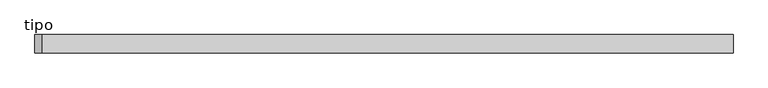
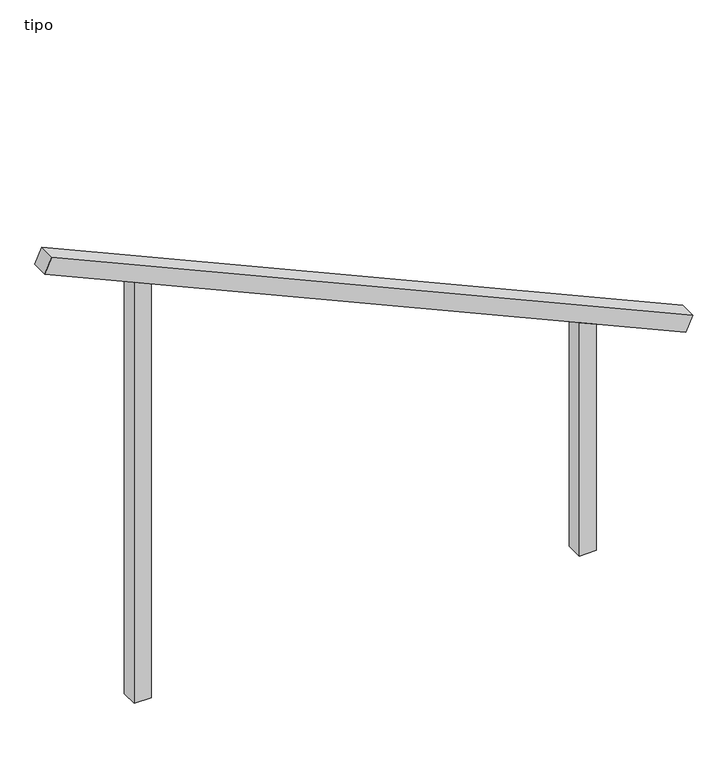
"""IFC4 building model written with IfcOpenShell, lengths in millimetres: proxy geometry, tipo."""

from ifc_helpers import new_model, si_unit, frame, origin, place, context, project, spatial, polyline, outline, extrude, source, transform, mapped, element, save


def tipo_fc007464(model_context):
    return source(origin(), model_context, "Body", "SweptSolid", [
        extrude(outline(polyline([(0.0, -4099.9999999), (0.0, 0.0), (100.0, 0.0), (100.0, -4099.9999999), (0.0, -4099.9999999)])), frame((-1872.3323255, -100.0, 2834.788394), z_axis=(0.4072138507255182, 0.0, 0.9133328417270976), x_axis=(0.0, 1.0, 0.0)), (0.0, 0.0, 1.0), 100.0),
        extrude(outline(polyline([(1398.0959916, 1350.0), (1442.6814737, 1250.0), (0.0, 1250.0), (0.0, 1350.0), (1398.0959916, 1350.0)])), frame((0.0, -100.0, 0.0), z_axis=(0.0, 1.0, 0.0), x_axis=(0.0, 0.0, 1.0)), (0.0, 0.0, 1.0), 100.0),
        extrude(outline(polyline([(2601.9040084, -1350.0), (0.0, -1350.0), (0.0, -1250.0), (2557.3185263, -1250.0), (2601.9040084, -1350.0)])), frame((0.0, -100.0, 0.0), z_axis=(0.0, 1.0, 0.0), x_axis=(0.0, 0.0, 1.0)), (0.0, 0.0, 1.0), 100.0),
    ])


if __name__ == "__main__":
    model = new_model("IFC4")
    model_context = context("Model", 3, world=origin())
    ifc_project = project(units=[si_unit("LENGTHUNIT", "METRE", prefix="MILLI")], contexts=[model_context])
    site = spatial("IfcSite", under=ifc_project)
    building = spatial("IfcBuilding", under=site)
    placement = place(None, origin())
    tipo_shape = tipo_fc007464(model_context)
    element("IfcBuildingElementProxy", 1, Name="tipo", ObjectType="tipo", at=placement, inside=building, context=model_context, shape_type="MappedRepresentation", body=[
        mapped(tipo_shape, transform((0.0, 0.0, 0.0), x_axis=(1.0, 0.0, 0.0), y_axis=(0.0, 1.0, 0.0), z_axis=(0.0, 0.0, 1.0))),
    ])
    save(model, "model.ifc")
